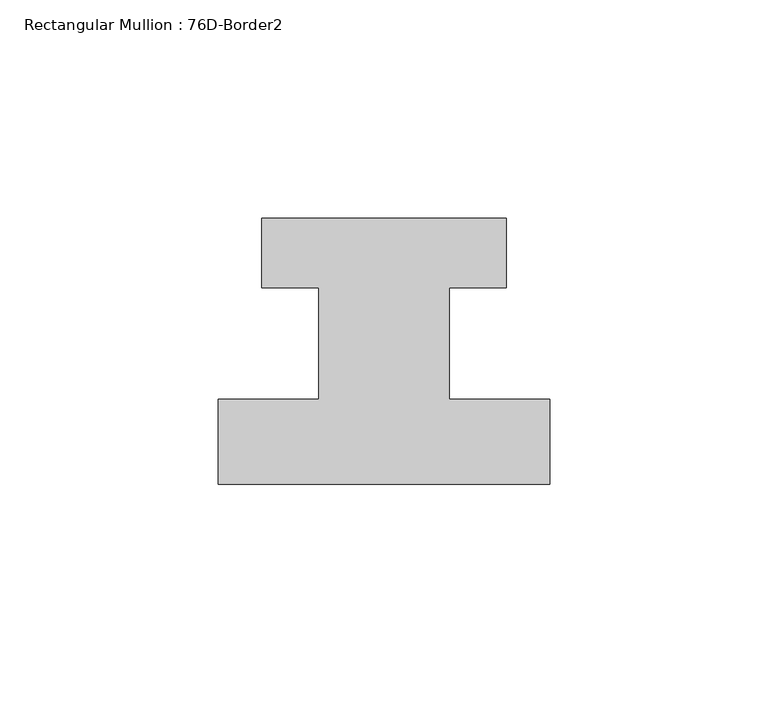
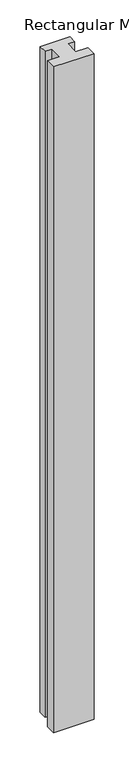
"""IFC4 building model written with IfcOpenShell, lengths in millimetres: member geometry, Rectangular Mullion : 76D-Border2."""

from ifc_helpers import new_model, si_unit, frame, origin, place, context, project, spatial, polyline, outline, extrude, source, transform, mapped, element, save


def rectangular_mullion_76d_border2_737db0cf(model_context):
    return source(origin(), model_context, "Body", "SweptSolid", [
        extrude(outline(polyline([(0.0, -20.0), (-76.0, -20.0), (-76.0, -0.5), (-53.0, -0.5), (-53.0, 25.0), (-66.0, 25.0), (-66.0, 41.0), (-10.0, 41.0), (-10.0, 25.0), (-23.0, 25.0), (-23.0, -0.5), (0.0, -0.5), (0.0, -20.0)])), frame((0.0, 0.0, -1322.465707), z_axis=(0.0, 0.0, 1.0), x_axis=(1.0, 0.0, 0.0)), (0.0, 0.0, 1.0), 1322.465707),
    ])


if __name__ == "__main__":
    model = new_model("IFC4")
    model_context = context("Model", 3, world=origin())
    ifc_project = project(units=[si_unit("LENGTHUNIT", "METRE", prefix="MILLI")], contexts=[model_context])
    site = spatial("IfcSite", under=ifc_project)
    building = spatial("IfcBuilding", under=site)
    placement = place(None, origin())
    rectangular_mullion_76d_border2_shape = rectangular_mullion_76d_border2_737db0cf(model_context)
    element("IfcMember", 1, ObjectType="Rectangular Mullion : 76D-Border2", at=placement, inside=building, context=model_context, shape_type="MappedRepresentation", body=[
        mapped(rectangular_mullion_76d_border2_shape, transform((0.0, 0.0, 0.0), x_axis=(1.0, 0.0, 0.0), y_axis=(0.0, 1.0, 0.0), z_axis=(0.0, 0.0, 1.0))),
    ])
    save(model, "model.ifc")
